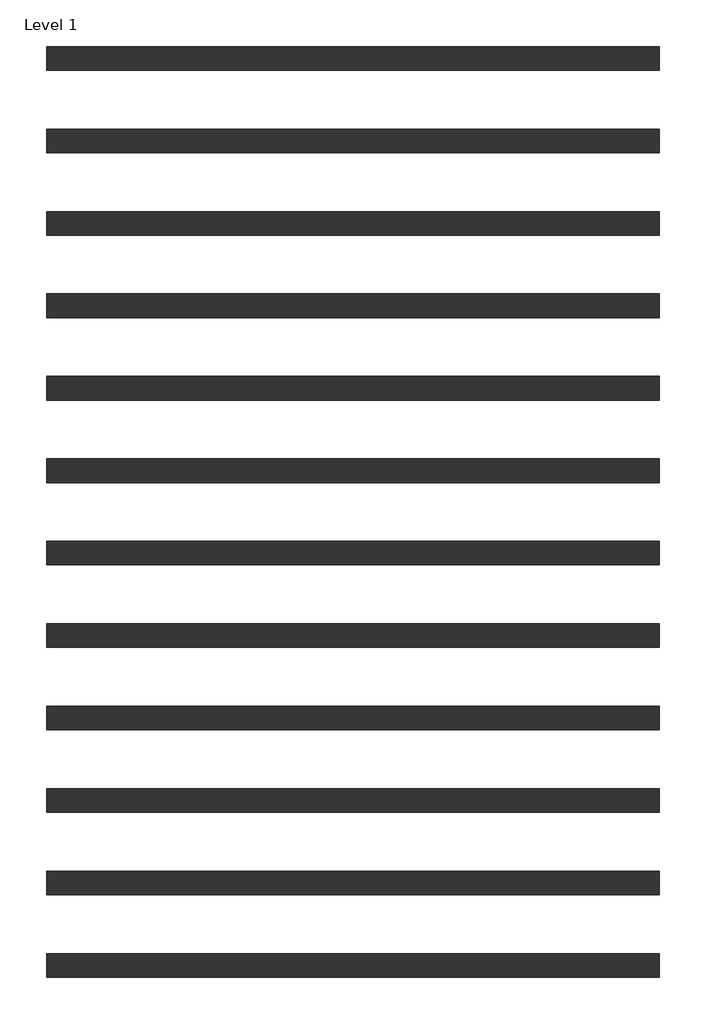
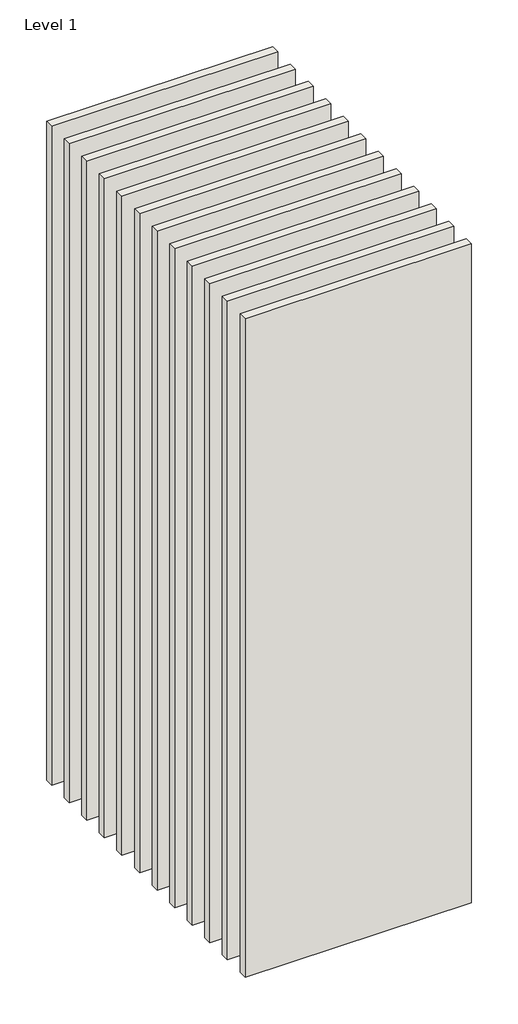
# One storey: 12 walls.
"""IFC4 building model written with IfcOpenShell, lengths in millimetres."""

import ifcopenshell
import ifcopenshell.guid

model = None  # the IFC model being written
_history = None  # IfcOwnerHistory: only IFC2X3 demands one
_inside = {}  # id of a spatial element -> (the spatial element, [elements in it])
_under = {}  # id of a project, library or spatial element -> (it, [spatial elements below it])
_declared = {}  # id of a project -> (the project, [libraries it declares])
_typed = {}  # id of a type object -> (the type object, [elements of that type])
_made_of = {}  # id of a material, layer set ... -> (it, [elements and type objects made of it])


def new_model(schema):
    """Start an empty IFC model of exactly this schema.

    Asked for "IFC4X3", IfcOpenShell would pick the latest addendum, in which some entities
    have other attributes; the version numbers below select the first issue.
    IFC2X3 requires an IfcOwnerHistory on every rooted entity: one is made here for all.
    """
    global model, _history
    if schema == "IFC4X3":
        model = ifcopenshell.file(schema_version=(4, 3, 0, 0))
    else:
        model = ifcopenshell.file(schema=schema)
    _inside.clear()
    _under.clear()
    _declared.clear()
    _typed.clear()
    _made_of.clear()
    _history = None
    if model.schema == "IFC2X3":
        org = make("IfcOrganization", Name="unknown")
        user = make(
            "IfcPersonAndOrganization",
            ThePerson=make("IfcPerson", FamilyName="unknown"),
            TheOrganization=org,
        )
        app = make(
            "IfcApplication",
            ApplicationDeveloper=org,
            Version="unknown",
            ApplicationFullName="unknown",
            ApplicationIdentifier="unknown",
        )
        _history = make(
            "IfcOwnerHistory",
            OwningUser=user,
            OwningApplication=app,
            ChangeAction="ADDED",
            CreationDate=0,
        )
    return model


def make(cls, **values):
    """One entity of the class cls with the attributes given. An attribute that is None is left unset."""
    return model.create_entity(
        cls, **{name: value for name, value in values.items() if value is not None}
    )


def rooted(cls, **values):
    """An entity with a GlobalId (a new one), such as an element, a storey or a relation."""
    return make(cls, GlobalId=ifcopenshell.guid.new(), OwnerHistory=_history, **values)


def si_unit(unit_type, name, prefix=None):
    """IfcSIUnit, for example si_unit("LENGTHUNIT", "METRE", prefix="MILLI")."""
    return make("IfcSIUnit", UnitType=unit_type, Prefix=prefix, Name=name)


def assignment(units):
    """IfcUnitAssignment: the units of a project."""
    return None if units is None else make("IfcUnitAssignment", Units=units)


def point(xyz):
    """IfcCartesianPoint."""
    return None if xyz is None else make("IfcCartesianPoint", Coordinates=xyz)


def direction(xyz):
    """IfcDirection."""
    return None if xyz is None else make("IfcDirection", DirectionRatios=xyz)


def frame(location, z_axis=None, x_axis=None):
    """IfcAxis2Placement3D, a coordinate frame: its origin and axes. An axis left out is left unset."""
    return make(
        "IfcAxis2Placement3D",
        Location=point(location),
        Axis=direction(z_axis),
        RefDirection=direction(x_axis),
    )


def origin():
    """The frame at (0, 0, 0) with its axes left unset."""
    return frame((0.0, 0.0, 0.0))


def origin_with_axes():
    """The frame at (0, 0, 0) with the z axis (0, 0, 1) and the x axis (1, 0, 0) written out."""
    return frame((0.0, 0.0, 0.0), z_axis=(0.0, 0.0, 1.0), x_axis=(1.0, 0.0, 0.0))


def place(relative_to, where):
    """IfcLocalPlacement: puts the frame where relative to a parent placement (None: the world)."""
    return make(
        "IfcLocalPlacement", PlacementRelTo=relative_to, RelativePlacement=where
    )


def context(
    kind, dimensions, precision=None, world=None, true_north=None, identifier=None
):
    """IfcGeometricRepresentationContext, for example the 3D "Model" context."""
    return make(
        "IfcGeometricRepresentationContext",
        ContextIdentifier=identifier,
        ContextType=kind,
        CoordinateSpaceDimension=dimensions,
        Precision=precision,
        WorldCoordinateSystem=world,
        TrueNorth=true_north,
    )


def project(units=None, contexts=None):
    """IfcProject with its units and contexts."""
    return rooted(
        "IfcProject",
        Name="project",
        RepresentationContexts=contexts,
        UnitsInContext=assignment(units),
    )


def spatial(cls, under=None, at=None, **own):
    """A site, building, storey or space (cls), placed at a placement, below another one or the project."""
    s = rooted(cls, ObjectPlacement=at, **own)
    if under is not None:
        _under.setdefault(under.id(), (under, []))[1].append(s)
    return s


def polyline(points):
    """IfcPolyline through the points."""
    return make("IfcPolyline", Points=[point(p) for p in points])


def outline(outer, holes=None, kind="AREA"):
    """IfcArbitraryClosedProfileDef: a profile drawn as a closed curve; with holes, ...WithVoids."""
    if holes is None:
        return make("IfcArbitraryClosedProfileDef", ProfileType=kind, OuterCurve=outer)
    return make(
        "IfcArbitraryProfileDefWithVoids",
        ProfileType=kind,
        OuterCurve=outer,
        InnerCurves=holes,
    )


def extrude(swept, where, along, depth):
    """IfcExtrudedAreaSolid: the profile swept, set in the frame where, extruded along a direction by depth."""
    return make(
        "IfcExtrudedAreaSolid",
        SweptArea=swept,
        Position=where,
        ExtrudedDirection=direction(along),
        Depth=depth,
    )


def shape(context_of_items, identifier, shape_type, items):
    """IfcShapeRepresentation: the items that make up one representation, for example the "Body"."""
    return make(
        "IfcShapeRepresentation",
        ContextOfItems=context_of_items,
        RepresentationIdentifier=identifier,
        RepresentationType=shape_type,
        Items=items,
    )


def made_of(thing, what):
    """Note that an element or type object is made of a material, layer set ...; save() writes the relation."""
    if what is not None:
        _made_of.setdefault(what.id(), (what, []))[1].append(thing)
    return thing


def element(
    cls,
    number,
    at=None,
    inside=None,
    cuts=None,
    type_object=None,
    material=None,
    context=None,
    identifier="Body",
    shape_type=None,
    held_by="IfcProductDefinitionShape",
    body=None,
    shapes=None,
    **own,
):
    """One element of the class cls, such as IfcWall. Its Tag is "e" and its number.

    at: its placement. inside: the storey or other place that contains it. cuts: it is an
    opening in that element (IfcRelVoidsElement). A single representation is given by context,
    identifier, shape_type and body (its items); several are given by shapes. held_by: the class
    of the entity that holds the representations. save() writes the other relations.
    """
    e = rooted(cls, Tag="e%d" % number, ObjectPlacement=at, **own)
    if body is not None:
        shapes = [shape(context, identifier, shape_type, body)]
    if shapes is not None:
        e.Representation = make(held_by, Representations=shapes)
    if inside is not None:
        _inside.setdefault(inside.id(), (inside, []))[1].append(e)
    if cuts is not None:
        rooted(
            "IfcRelVoidsElement", RelatingBuildingElement=cuts, RelatedOpeningElement=e
        )
    if type_object is not None:
        _typed.setdefault(type_object.id(), (type_object, []))[1].append(e)
    return made_of(e, material)


def aggregate(whole, parts):
    """IfcRelAggregates: a whole, such as a stair, and the parts it consists of."""
    return rooted("IfcRelAggregates", RelatingObject=whole, RelatedObjects=parts)


def save(model, path):
    """Write the relations noted so far, then the file.

    IfcRelAggregates (storeys below a building ...), IfcRelContainedInSpatialStructure (elements
    in a storey), IfcRelDefinesByType, IfcRelAssociatesMaterial and IfcRelDeclares: one each for
    every whole, place, type object, material and project.
    """
    for whole, parts in _under.values():
        aggregate(whole, parts)
    for where, things in _inside.values():
        rooted(
            "IfcRelContainedInSpatialStructure",
            RelatedElements=things,
            RelatingStructure=where,
        )
    for kind, things in _typed.values():
        rooted("IfcRelDefinesByType", RelatedObjects=things, RelatingType=kind)
    for what, things in _made_of.values():
        rooted("IfcRelAssociatesMaterial", RelatedObjects=things, RelatingMaterial=what)
    for by, libraries in _declared.values():
        rooted("IfcRelDeclares", RelatingContext=by, RelatedDefinitions=libraries)
    model.write(path)


model = new_model("IFC4")

# Units and contexts
model_context = context("Model", 3, world=origin())
ifc_project = project(units=[si_unit("LENGTHUNIT", "METRE", prefix="MILLI")], contexts=[model_context])

# Site, building, storey
site = spatial("IfcSite", under=ifc_project)
building = spatial("IfcBuilding", under=site)
storey = spatial("IfcBuildingStorey", under=building, Name="Level 1", Elevation=0.0)

# Walls
placement = place(None, origin())
element("IfcWall", 1, at=placement, inside=storey, context=model_context, shape_type="SweptSolid", body=[
    extrude(outline(polyline([(-16904.1464237, 4736.4042935), (-19504.1464237, 4736.4042935), (-19504.1464237, 4836.4042935), (-16904.1464237, 4836.4042935), (-16904.1464237, 4736.4042935)])), origin_with_axes(), (0.0, 0.0, 1.0), 8000.0),
])
element("IfcWall", 2, at=placement, inside=storey, context=model_context, shape_type="SweptSolid", body=[
    extrude(outline(polyline([(-16904.1464237, 5436.4042935), (-19504.1464237, 5436.4042935), (-19504.1464237, 5536.4042935), (-16904.1464237, 5536.4042935), (-16904.1464237, 5436.4042935)])), origin_with_axes(), (0.0, 0.0, 1.0), 8000.0),
])
element("IfcWall", 3, at=placement, inside=storey, context=model_context, shape_type="SweptSolid", body=[
    extrude(outline(polyline([(-16904.1464237, 4386.4042935), (-19504.1464237, 4386.4042935), (-19504.1464237, 4486.4042935), (-16904.1464237, 4486.4042935), (-16904.1464237, 4386.4042935)])), origin_with_axes(), (0.0, 0.0, 1.0), 8000.0),
])
element("IfcWall", 4, at=placement, inside=storey, context=model_context, shape_type="SweptSolid", body=[
    extrude(outline(polyline([(-16904.1464237, 4036.4042935), (-19504.1464237, 4036.4042935), (-19504.1464237, 4136.4042935), (-16904.1464237, 4136.4042935), (-16904.1464237, 4036.4042935)])), origin_with_axes(), (0.0, 0.0, 1.0), 8000.0),
])
element("IfcWall", 5, at=placement, inside=storey, context=model_context, shape_type="SweptSolid", body=[
    extrude(outline(polyline([(-16904.1464237, 5786.4042935), (-19504.1464237, 5786.4042935), (-19504.1464237, 5886.4042935), (-16904.1464237, 5886.4042935), (-16904.1464237, 5786.4042935)])), origin_with_axes(), (0.0, 0.0, 1.0), 8000.0),
])
element("IfcWall", 6, at=placement, inside=storey, context=model_context, shape_type="SweptSolid", body=[
    extrude(outline(polyline([(-16904.1464237, 5086.4042935), (-19504.1464237, 5086.4042935), (-19504.1464237, 5186.4042935), (-16904.1464237, 5186.4042935), (-16904.1464237, 5086.4042935)])), origin_with_axes(), (0.0, 0.0, 1.0), 8000.0),
])
element("IfcWall", 7, at=placement, inside=storey, context=model_context, shape_type="SweptSolid", body=[
    extrude(outline(polyline([(-16904.1464237, 2636.4042935), (-19504.1464237, 2636.4042935), (-19504.1464237, 2736.4042935), (-16904.1464237, 2736.4042935), (-16904.1464237, 2636.4042935)])), origin_with_axes(), (0.0, 0.0, 1.0), 8000.0),
])
element("IfcWall", 8, at=placement, inside=storey, context=model_context, shape_type="SweptSolid", body=[
    extrude(outline(polyline([(-16904.1464237, 3336.4042935), (-19504.1464237, 3336.4042935), (-19504.1464237, 3436.4042935), (-16904.1464237, 3436.4042935), (-16904.1464237, 3336.4042935)])), origin_with_axes(), (0.0, 0.0, 1.0), 8000.0),
])
element("IfcWall", 9, at=placement, inside=storey, context=model_context, shape_type="SweptSolid", body=[
    extrude(outline(polyline([(-16904.1464237, 2286.4042935), (-19504.1464237, 2286.4042935), (-19504.1464237, 2386.4042935), (-16904.1464237, 2386.4042935), (-16904.1464237, 2286.4042935)])), origin_with_axes(), (0.0, 0.0, 1.0), 8000.0),
])
element("IfcWall", 10, at=placement, inside=storey, context=model_context, shape_type="SweptSolid", body=[
    extrude(outline(polyline([(-16904.1464237, 1936.4042935), (-19504.1464237, 1936.4042935), (-19504.1464237, 2036.4042935), (-16904.1464237, 2036.4042935), (-16904.1464237, 1936.4042935)])), origin_with_axes(), (0.0, 0.0, 1.0), 8000.0),
])
element("IfcWall", 11, at=placement, inside=storey, context=model_context, shape_type="SweptSolid", body=[
    extrude(outline(polyline([(-16904.1464237, 3686.4042935), (-19504.1464237, 3686.4042935), (-19504.1464237, 3786.4042935), (-16904.1464237, 3786.4042935), (-16904.1464237, 3686.4042935)])), origin_with_axes(), (0.0, 0.0, 1.0), 8000.0),
])
element("IfcWall", 12, at=placement, inside=storey, context=model_context, shape_type="SweptSolid", body=[
    extrude(outline(polyline([(-16904.1464237, 2986.4042935), (-19504.1464237, 2986.4042935), (-19504.1464237, 3086.4042935), (-16904.1464237, 3086.4042935), (-16904.1464237, 2986.4042935)])), origin_with_axes(), (0.0, 0.0, 1.0), 8000.0),
])

save(model, "model.ifc")
